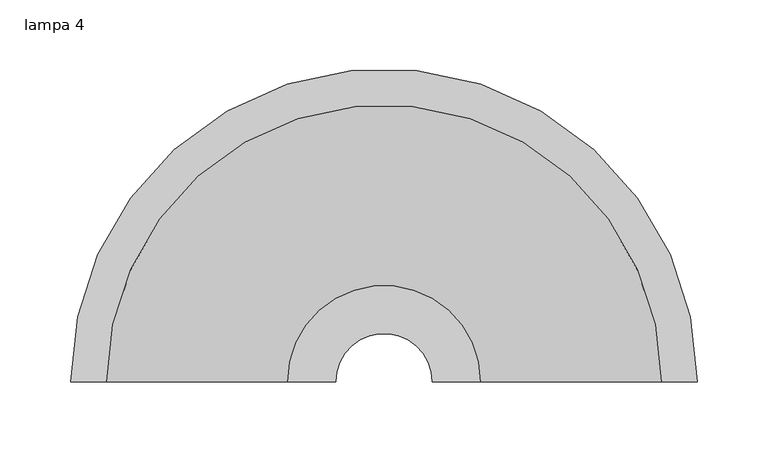
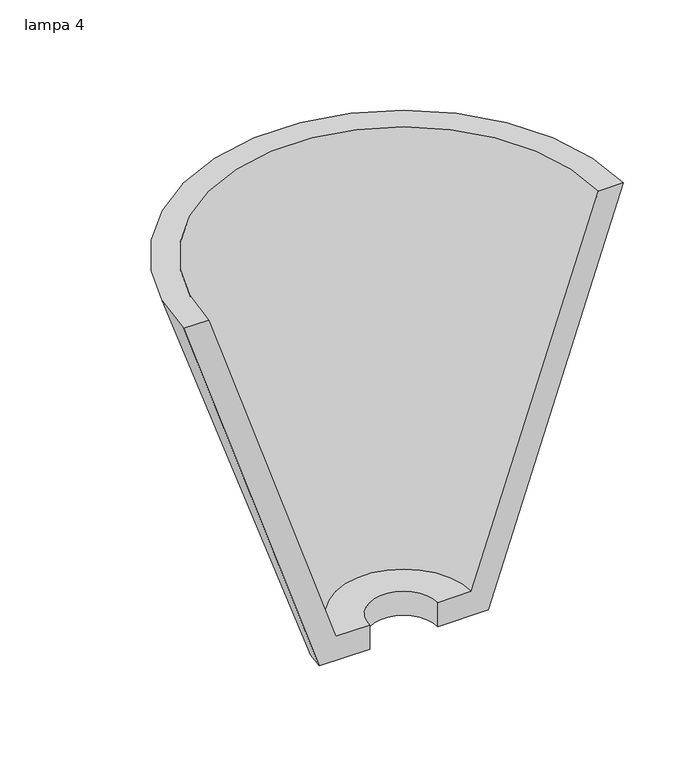
"""IFC4 building model written with IfcOpenShell, lengths in millimetres: light fixture geometry, lampa 4."""

from ifc_helpers import new_model, si_unit, frame, origin, place, context, project, spatial, polyline, circle_curve, source, transform, mapped, element, save
from ifc_brep_helpers import plane_surface, revolved_surface, advanced_brep


def lampa_4_50c0df9e(model_context):
    return source(origin(), model_context, "Body", "AdvancedBrep", [
        advanced_brep(
        [(-221.2056669, 200.0, 2103.2), (-85.0253975, 200.0, 1696.8), (-34.2253975, 200.0, 1696.8), (-34.2253975, 200.0, 1722.2), (-68.1366644, 200.0, 1722.2), (-195.8056669, 200.0, 2103.2), (221.2056669, 200.0, 2103.2), (195.8056669, 200.0, 2103.2), (68.1366644, 200.0, 1722.2), (34.2253975, 200.0, 1722.2), (34.2253975, 200.0, 1696.8), (85.0253975, 200.0, 1696.8)],
        [
            (0, 1),
            (1, 2),
            (2, 3),
            (3, 4),
            (4, 5),
            (5, 0),
            (6, 7),
            (7, 8),
            (8, 9),
            (9, 10),
            (10, 11),
            (11, 6),
            (11, 1, circle_curve(frame((0.0, 200.0, 1696.8), z_axis=(0.0, 0.0, 1.0), x_axis=(-1.0, 0.0, 0.0)), 85.0253975)),
            (0, 6, circle_curve(frame((0.0, 200.0, 2103.2), z_axis=(0.0, 0.0, -1.0), x_axis=(-1.0, 0.0, 0.0)), 221.2056669)),
            (10, 2, circle_curve(frame((0.0, 200.0, 1696.8), z_axis=(0.0, 0.0, 1.0), x_axis=(-1.0, 0.0, 0.0)), 34.2253975)),
            (9, 3, circle_curve(frame((0.0, 200.0, 1722.2), z_axis=(0.0, 0.0, 1.0), x_axis=(-1.0, 0.0, 0.0)), 34.2253975)),
            (8, 4, circle_curve(frame((0.0, 200.0, 1722.2), z_axis=(0.0, 0.0, 1.0), x_axis=(-1.0, 0.0, 0.0)), 68.1366644)),
            (7, 5, circle_curve(frame((0.0, 200.0, 2103.2), z_axis=(0.0, 0.0, 1.0), x_axis=(-1.0, 0.0, 0.0)), 195.8056669)),
        ],
        [
            plane_surface(frame((0.0, 200.0, 1936.774367), z_axis=(0.0, -1.0, 0.0), x_axis=(-1.0, 0.0, 0.0))),
            plane_surface(frame((0.0, 200.0, 1936.774367), z_axis=(0.0, -1.0, 0.0), x_axis=(1.0, 0.0, 0.0))),
            revolved_surface(polyline([(-221.2056669, 200.0, 2103.2), (-85.0253975, 200.0, 1696.8)]), (0.0, 200.0, 1936.774367), (0.0, 0.0, -1.0)),
            plane_surface(frame((0.0, 200.0, 1696.8), z_axis=(0.0, 0.0, -1.0), x_axis=(-1.0, 0.0, 0.0))),
            revolved_surface(polyline([(-34.2253975, 200.0, 1696.8), (-34.2253975, 200.0, 1722.2)]), (0.0, 200.0, 1936.774367), (0.0, 0.0, -1.0)),
            plane_surface(frame((0.0, 200.0, 1722.2), z_axis=(0.0, 0.0, 1.0), x_axis=(-1.0, 0.0, 0.0))),
            revolved_surface(polyline([(-68.1366644, 200.0, 1722.2), (-195.8056669, 200.0, 2103.2)]), (0.0, 200.0, 1936.774367), (0.0, 0.0, -1.0)),
            plane_surface(frame((0.0, 200.0, 2103.2), z_axis=(0.0, 0.0, 1.0), x_axis=(-1.0, 0.0, 0.0))),
        ],
        [
            (0, [[1, 2, 3, 4, 5, 6]]),
            (1, [[7, 8, 9, 10, 11, 12]]),
            (2, [[13, -1, 14, -12]]),
            (3, [[15, -2, -13, -11]]),
            (4, [[16, -3, -15, -10]]),
            (5, [[17, -4, -16, -9]]),
            (6, [[18, -5, -17, -8]]),
            (7, [[-14, -6, -18, -7]]),
        ],
    ),
    ])


if __name__ == "__main__":
    model = new_model("IFC4")
    model_context = context("Model", 3, world=origin())
    ifc_project = project(units=[si_unit("LENGTHUNIT", "METRE", prefix="MILLI")], contexts=[model_context])
    site = spatial("IfcSite", under=ifc_project)
    building = spatial("IfcBuilding", under=site)
    placement = place(None, origin())
    lampa_4_shape = lampa_4_50c0df9e(model_context)
    element("IfcLightFixture", 1, ObjectType="lampa 4", at=placement, inside=building, context=model_context, shape_type="MappedRepresentation", body=[
        mapped(lampa_4_shape, transform((0.0, 0.0, 0.0), x_axis=(1.0, 0.0, 0.0), y_axis=(0.0, 1.0, 0.0), z_axis=(0.0, 0.0, 1.0))),
    ])
    save(model, "model.ifc")
